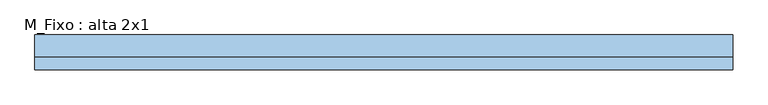
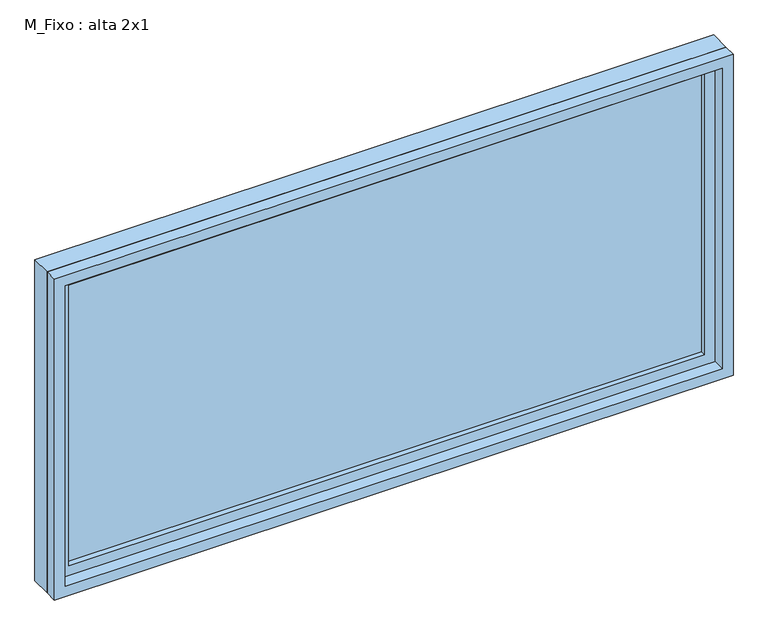
"""IFC4 building model written with IfcOpenShell, lengths in millimetres: window geometry, M_Fixo : alta 2x1."""

import ifcopenshell
import ifcopenshell.guid

model = None  # the IFC model being written
_history = None  # IfcOwnerHistory: only IFC2X3 demands one
_inside = {}  # id of a spatial element -> (the spatial element, [elements in it])
_under = {}  # id of a project, library or spatial element -> (it, [spatial elements below it])
_declared = {}  # id of a project -> (the project, [libraries it declares])
_typed = {}  # id of a type object -> (the type object, [elements of that type])
_made_of = {}  # id of a material, layer set ... -> (it, [elements and type objects made of it])


def new_model(schema):
    """Start an empty IFC model of exactly this schema.

    Asked for "IFC4X3", IfcOpenShell would pick the latest addendum, in which some entities
    have other attributes; the version numbers below select the first issue.
    IFC2X3 requires an IfcOwnerHistory on every rooted entity: one is made here for all.
    """
    global model, _history
    if schema == "IFC4X3":
        model = ifcopenshell.file(schema_version=(4, 3, 0, 0))
    else:
        model = ifcopenshell.file(schema=schema)
    _inside.clear()
    _under.clear()
    _declared.clear()
    _typed.clear()
    _made_of.clear()
    _history = None
    if model.schema == "IFC2X3":
        org = make("IfcOrganization", Name="unknown")
        user = make(
            "IfcPersonAndOrganization",
            ThePerson=make("IfcPerson", FamilyName="unknown"),
            TheOrganization=org,
        )
        app = make(
            "IfcApplication",
            ApplicationDeveloper=org,
            Version="unknown",
            ApplicationFullName="unknown",
            ApplicationIdentifier="unknown",
        )
        _history = make(
            "IfcOwnerHistory",
            OwningUser=user,
            OwningApplication=app,
            ChangeAction="ADDED",
            CreationDate=0,
        )
    return model


def make(cls, **values):
    """One entity of the class cls with the attributes given. An attribute that is None is left unset."""
    return model.create_entity(
        cls, **{name: value for name, value in values.items() if value is not None}
    )


def rooted(cls, **values):
    """An entity with a GlobalId (a new one), such as an element, a storey or a relation."""
    return make(cls, GlobalId=ifcopenshell.guid.new(), OwnerHistory=_history, **values)


def si_unit(unit_type, name, prefix=None):
    """IfcSIUnit, for example si_unit("LENGTHUNIT", "METRE", prefix="MILLI")."""
    return make("IfcSIUnit", UnitType=unit_type, Prefix=prefix, Name=name)


def assignment(units):
    """IfcUnitAssignment: the units of a project."""
    return None if units is None else make("IfcUnitAssignment", Units=units)


def point(xyz):
    """IfcCartesianPoint."""
    return None if xyz is None else make("IfcCartesianPoint", Coordinates=xyz)


def direction(xyz):
    """IfcDirection."""
    return None if xyz is None else make("IfcDirection", DirectionRatios=xyz)


def frame(location, z_axis=None, x_axis=None):
    """IfcAxis2Placement3D, a coordinate frame: its origin and axes. An axis left out is left unset."""
    return make(
        "IfcAxis2Placement3D",
        Location=point(location),
        Axis=direction(z_axis),
        RefDirection=direction(x_axis),
    )


def origin():
    """The frame at (0, 0, 0) with its axes left unset."""
    return frame((0.0, 0.0, 0.0))


def place(relative_to, where):
    """IfcLocalPlacement: puts the frame where relative to a parent placement (None: the world)."""
    return make(
        "IfcLocalPlacement", PlacementRelTo=relative_to, RelativePlacement=where
    )


def context(
    kind, dimensions, precision=None, world=None, true_north=None, identifier=None
):
    """IfcGeometricRepresentationContext, for example the 3D "Model" context."""
    return make(
        "IfcGeometricRepresentationContext",
        ContextIdentifier=identifier,
        ContextType=kind,
        CoordinateSpaceDimension=dimensions,
        Precision=precision,
        WorldCoordinateSystem=world,
        TrueNorth=true_north,
    )


def project(units=None, contexts=None):
    """IfcProject with its units and contexts."""
    return rooted(
        "IfcProject",
        Name="project",
        RepresentationContexts=contexts,
        UnitsInContext=assignment(units),
    )


def spatial(cls, under=None, at=None, **own):
    """A site, building, storey or space (cls), placed at a placement, below another one or the project."""
    s = rooted(cls, ObjectPlacement=at, **own)
    if under is not None:
        _under.setdefault(under.id(), (under, []))[1].append(s)
    return s


def polyline(points):
    """IfcPolyline through the points."""
    return make("IfcPolyline", Points=[point(p) for p in points])


def outline(outer, holes=None, kind="AREA"):
    """IfcArbitraryClosedProfileDef: a profile drawn as a closed curve; with holes, ...WithVoids."""
    if holes is None:
        return make("IfcArbitraryClosedProfileDef", ProfileType=kind, OuterCurve=outer)
    return make(
        "IfcArbitraryProfileDefWithVoids",
        ProfileType=kind,
        OuterCurve=outer,
        InnerCurves=holes,
    )


def extrude(swept, where, along, depth):
    """IfcExtrudedAreaSolid: the profile swept, set in the frame where, extruded along a direction by depth."""
    return make(
        "IfcExtrudedAreaSolid",
        SweptArea=swept,
        Position=where,
        ExtrudedDirection=direction(along),
        Depth=depth,
    )


def shape(context_of_items, identifier, shape_type, items):
    """IfcShapeRepresentation: the items that make up one representation, for example the "Body"."""
    return make(
        "IfcShapeRepresentation",
        ContextOfItems=context_of_items,
        RepresentationIdentifier=identifier,
        RepresentationType=shape_type,
        Items=items,
    )


def source(mapping_origin, context_of_items, identifier, shape_type, items):
    """IfcRepresentationMap: a shape defined once, which mapped items show again and again."""
    return make(
        "IfcRepresentationMap",
        MappingOrigin=mapping_origin,
        MappedRepresentation=shape(context_of_items, identifier, shape_type, items),
    )


def transform(
    local_origin,
    x_axis=None,
    y_axis=None,
    z_axis=None,
    scale=None,
    scale2=None,
    scale3=None,
    uniform=True,
):
    """IfcCartesianTransformationOperator3D, or its non-uniform kind. x_axis, y_axis, z_axis: its Axis1, 2, 3."""
    if uniform:
        return make(
            "IfcCartesianTransformationOperator3D",
            Axis1=direction(x_axis),
            Axis2=direction(y_axis),
            LocalOrigin=point(local_origin),
            Scale=scale,
            Axis3=direction(z_axis),
        )
    return make(
        "IfcCartesianTransformationOperator3DnonUniform",
        Axis1=direction(x_axis),
        Axis2=direction(y_axis),
        LocalOrigin=point(local_origin),
        Scale=scale,
        Axis3=direction(z_axis),
        Scale2=scale2,
        Scale3=scale3,
    )


def mapped(mapping_source, mapping_target):
    """IfcMappedItem: shows the shape of a source again, moved by a transform."""
    return make(
        "IfcMappedItem", MappingSource=mapping_source, MappingTarget=mapping_target
    )


def made_of(thing, what):
    """Note that an element or type object is made of a material, layer set ...; save() writes the relation."""
    if what is not None:
        _made_of.setdefault(what.id(), (what, []))[1].append(thing)
    return thing


def element(
    cls,
    number,
    at=None,
    inside=None,
    cuts=None,
    type_object=None,
    material=None,
    context=None,
    identifier="Body",
    shape_type=None,
    held_by="IfcProductDefinitionShape",
    body=None,
    shapes=None,
    **own,
):
    """One element of the class cls, such as IfcWall. Its Tag is "e" and its number.

    at: its placement. inside: the storey or other place that contains it. cuts: it is an
    opening in that element (IfcRelVoidsElement). A single representation is given by context,
    identifier, shape_type and body (its items); several are given by shapes. held_by: the class
    of the entity that holds the representations. save() writes the other relations.
    """
    e = rooted(cls, Tag="e%d" % number, ObjectPlacement=at, **own)
    if body is not None:
        shapes = [shape(context, identifier, shape_type, body)]
    if shapes is not None:
        e.Representation = make(held_by, Representations=shapes)
    if inside is not None:
        _inside.setdefault(inside.id(), (inside, []))[1].append(e)
    if cuts is not None:
        rooted(
            "IfcRelVoidsElement", RelatingBuildingElement=cuts, RelatedOpeningElement=e
        )
    if type_object is not None:
        _typed.setdefault(type_object.id(), (type_object, []))[1].append(e)
    return made_of(e, material)


def aggregate(whole, parts):
    """IfcRelAggregates: a whole, such as a stair, and the parts it consists of."""
    return rooted("IfcRelAggregates", RelatingObject=whole, RelatedObjects=parts)


def save(model, path):
    """Write the relations noted so far, then the file.

    IfcRelAggregates (storeys below a building ...), IfcRelContainedInSpatialStructure (elements
    in a storey), IfcRelDefinesByType, IfcRelAssociatesMaterial and IfcRelDeclares: one each for
    every whole, place, type object, material and project.
    """
    for whole, parts in _under.values():
        aggregate(whole, parts)
    for where, things in _inside.values():
        rooted(
            "IfcRelContainedInSpatialStructure",
            RelatedElements=things,
            RelatingStructure=where,
        )
    for kind, things in _typed.values():
        rooted("IfcRelDefinesByType", RelatedObjects=things, RelatingType=kind)
    for what, things in _made_of.values():
        rooted("IfcRelAssociatesMaterial", RelatedObjects=things, RelatingMaterial=what)
    for by, libraries in _declared.values():
        rooted("IfcRelDeclares", RelatingContext=by, RelatedDefinitions=libraries)
    model.write(path)


def m_fixo_alta_2x1_0c3c8f1b(model_context):
    return source(origin(), model_context, "Body", "SweptSolid", [
        extrude(outline(polyline([(-937.0, 28.0), (937.0, 28.0), (937.0, 16.0), (-937.0, 16.0), (-937.0, 28.0)])), frame((0.0, 0.0, 1563.0), z_axis=(0.0, 0.0, 1.0), x_axis=(1.0, 0.0, 0.0)), (0.0, 0.0, 1.0), 874.0),
        extrude(outline(polyline([(2481.0, -981.0), (1519.0, -981.0), (1519.0, 981.0), (2481.0, 981.0), (2481.0, -981.0)]), holes=[polyline([(2437.0, -937.0), (2437.0, 937.0), (1563.0, 937.0), (1563.0, -937.0), (2437.0, -937.0)])]), frame((0.0, 0.0, 0.0), z_axis=(0.0, 1.0, 0.0), x_axis=(0.0, 0.0, 1.0)), (0.0, 0.0, 1.0), 44.0),
        extrude(outline(polyline([(2500.0, -1000.0), (1500.0, -1000.0), (1500.0, 1000.0), (2500.0, 1000.0), (2500.0, -1000.0)]), holes=[polyline([(2481.0, -981.0), (2481.0, 981.0), (1519.0, 981.0), (1519.0, -981.0), (2481.0, -981.0)])]), frame((0.0, 0.0, 0.0), z_axis=(0.0, 1.0, 0.0), x_axis=(0.0, 0.0, 1.0)), (0.0, 0.0, 1.0), 63.0),
        extrude(outline(polyline([(2500.0, -1000.0), (1500.0, -1000.0), (1500.0, 1000.0), (2500.0, 1000.0), (2500.0, -1000.0)]), holes=[polyline([(2468.0, -968.0), (2468.0, 968.0), (1532.0, 968.0), (1532.0, -968.0), (2468.0, -968.0)])]), frame((0.0, -37.0, 0.0), z_axis=(0.0, 1.0, 0.0), x_axis=(0.0, 0.0, 1.0)), (0.0, 0.0, 1.0), 37.0),
    ])


if __name__ == "__main__":
    model = new_model("IFC4")
    model_context = context("Model", 3, world=origin())
    ifc_project = project(units=[si_unit("LENGTHUNIT", "METRE", prefix="MILLI")], contexts=[model_context])
    site = spatial("IfcSite", under=ifc_project)
    building = spatial("IfcBuilding", under=site)
    placement = place(None, origin())
    m_fixo_alta_2x1_shape = m_fixo_alta_2x1_0c3c8f1b(model_context)
    element("IfcWindow", 1, ObjectType="M_Fixo : alta 2x1", at=placement, inside=building, context=model_context, shape_type="MappedRepresentation", body=[
        mapped(m_fixo_alta_2x1_shape, transform((0.0, 0.0, 0.0), x_axis=(1.0, 0.0, 0.0), y_axis=(0.0, 1.0, 0.0), z_axis=(0.0, 0.0, 1.0))),
    ])
    save(model, "model.ifc")
